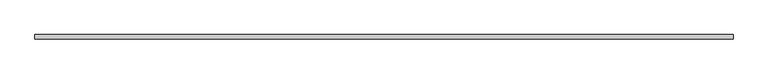
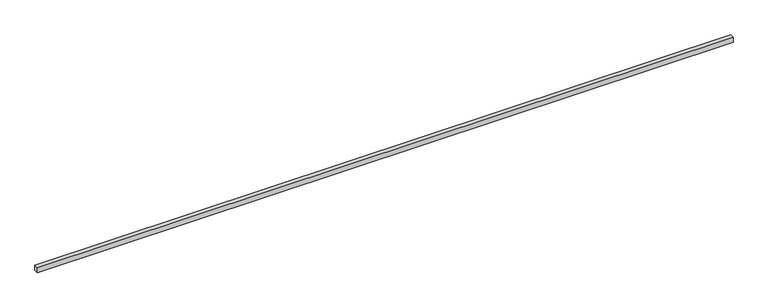
"""IFC4 building model written with IfcOpenShell, lengths in millimetres: proxy geometry."""

from ifc_helpers import new_model, si_unit, origin, origin_with_axes, place, context, project, spatial, polyline, outline, extrude, source, transform, mapped, element, save


def generic_models_46e9990d(model_context):
    return source(origin(), model_context, "Body", "SweptSolid", [
        extrude(outline(polyline([(13080.0, -40.0), (0.0, -40.0), (0.0, 40.0), (13080.0, 40.0), (13080.0, -40.0)])), origin_with_axes(), (0.0, 0.0, 1.0), 100.0),
    ])


if __name__ == "__main__":
    model = new_model("IFC4")
    model_context = context("Model", 3, world=origin())
    ifc_project = project(units=[si_unit("LENGTHUNIT", "METRE", prefix="MILLI")], contexts=[model_context])
    site = spatial("IfcSite", under=ifc_project)
    building = spatial("IfcBuilding", under=site)
    placement = place(None, origin())
    generic_models_shape = generic_models_46e9990d(model_context)
    element("IfcBuildingElementProxy", 1, Name="Generic Models", at=placement, inside=building, context=model_context, shape_type="MappedRepresentation", body=[
        mapped(generic_models_shape, transform((0.0, 0.0, 0.0), x_axis=(1.0, 0.0, 0.0), y_axis=(0.0, 1.0, 0.0), z_axis=(0.0, 0.0, 1.0))),
    ])
    save(model, "model.ifc")
